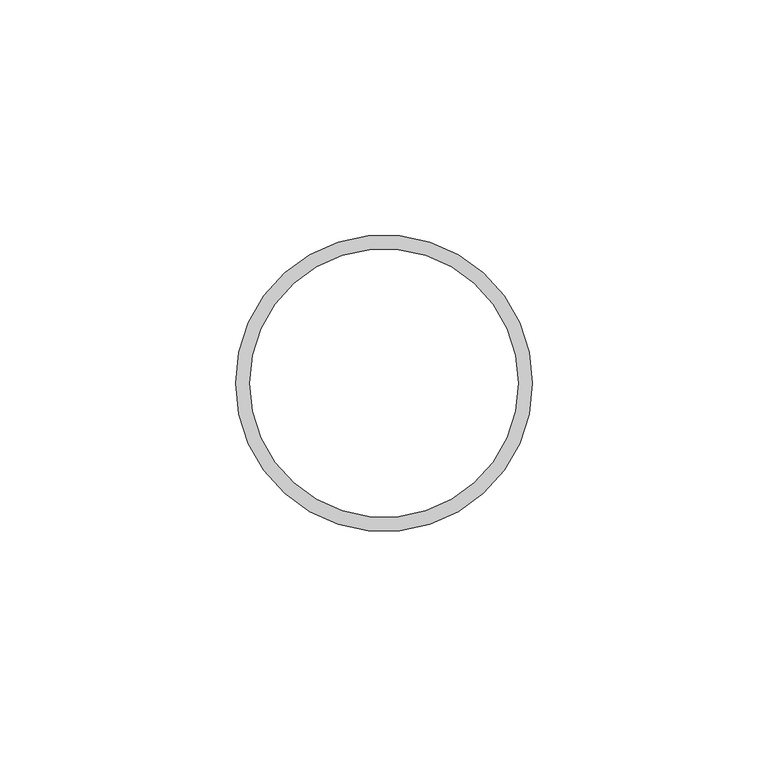
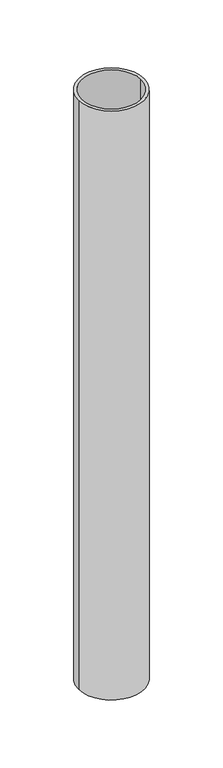
"""IFC4 building model written with IfcOpenShell, lengths in millimetres: beam geometry."""

from ifc_helpers import new_model, si_unit, point, frame, origin, origin_2d, place, context, project, spatial, circle_curve, trimmed, segment, composite_curve, outline, extrude, source, transform, mapped, element, save


def beam_26dc2baf(model_context):
    return source(origin(), model_context, "Body", "SweptSolid", [
        extrude(outline(composite_curve([segment(trimmed(circle_curve(origin_2d(), 31.5), [point((31.5, 0.0))], [point((-31.5, 0.0))], False, "CARTESIAN"), True, "CONTINUOUS"), segment(trimmed(circle_curve(origin_2d(), 31.5), [point((-31.5, 0.0))], [point((31.5, 0.0))], False, "CARTESIAN"), True, "CONTINUOUS")], self_intersect=False), holes=[composite_curve([segment(trimmed(circle_curve(origin_2d(), 28.5), [point((28.5, 0.0))], [point((-28.5, 0.0))], True, "CARTESIAN"), True, "CONTINUOUS"), segment(trimmed(circle_curve(origin_2d(), 28.5), [point((-28.5, 0.0))], [point((28.5, 0.0))], True, "CARTESIAN"), True, "CONTINUOUS")], self_intersect=False)]), frame((0.0, 0.0, -600.0), z_axis=(0.0, 0.0, 1.0), x_axis=(1.0, 0.0, 0.0)), (0.0, 0.0, 1.0), 600.0),
    ])


if __name__ == "__main__":
    model = new_model("IFC4")
    model_context = context("Model", 3, world=origin())
    ifc_project = project(units=[si_unit("LENGTHUNIT", "METRE", prefix="MILLI")], contexts=[model_context])
    site = spatial("IfcSite", under=ifc_project)
    building = spatial("IfcBuilding", under=site)
    placement = place(None, origin())
    beam_shape = beam_26dc2baf(model_context)
    element("IfcBeam", 1, at=placement, inside=building, context=model_context, shape_type="MappedRepresentation", body=[
        mapped(beam_shape, transform((0.0, 0.0, 0.0), x_axis=(1.0, 0.0, 0.0), y_axis=(0.0, 1.0, 0.0), z_axis=(0.0, 0.0, 1.0))),
    ])
    save(model, "model.ifc")
